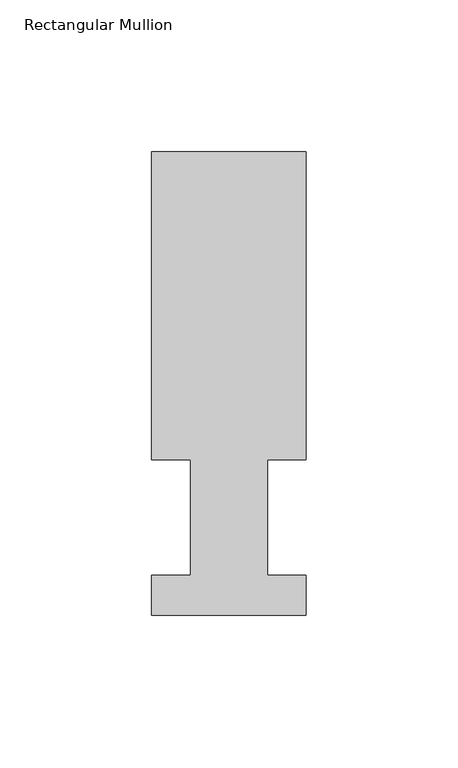
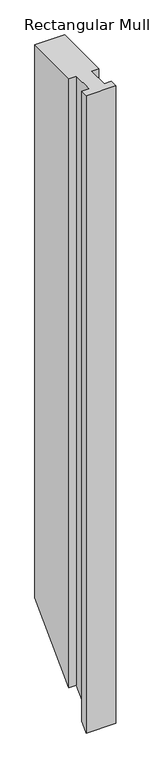
"""IFC4 building model written with IfcOpenShell, lengths in millimetres: member geometry, Rectangular Mullion."""

from ifc_helpers import new_model, si_unit, origin, place, context, project, spatial, faceted_brep, source, transform, mapped, element, save


def rectangular_mullion_8f399842(model_context):
    return source(origin(), model_context, "Body", "Brep", [
        faceted_brep([(0.0, 152.498812, 0.0), (0.0, 51.2960937, 0.0), (12.7, 51.2960937, 0.0), (12.7, 13.1960938, 0.0), (0.0, 13.1960938, 0.0), (0.0, 0.0134938, 0.0), (50.8, 0.0134938, 0.0), (50.8, 13.1960938, 0.0), (38.1, 13.1960938, 0.0), (38.1, 51.2960937, 0.0), (50.8, 51.2960937, 0.0), (50.8, 152.498812, 0.0), (0.0, 152.498812, -1003.2146818), (0.0, 51.2960937, -1104.4174), (12.7, 51.2960937, -1104.4174), (12.7, 13.1960938, -1142.5174), (0.0, 13.1960938, -1142.5174), (0.0, 0.0134938, -1155.7), (50.8, 0.0134938, -1155.7), (50.8, 13.1960938, -1142.5174), (38.1, 13.1960938, -1142.5174), (38.1, 51.2960937, -1104.4174), (50.8, 51.2960937, -1104.4174), (50.8, 152.498812, -1003.2146818)], [[[0, 1, 2, 3, 4, 5, 6, 7, 8, 9, 10, 11]], [[1, 0, 12, 13]], [[2, 1, 13, 14]], [[3, 2, 14, 15]], [[4, 3, 15, 16]], [[5, 4, 16, 17]], [[6, 5, 17, 18]], [[7, 6, 18, 19]], [[8, 7, 19, 20]], [[9, 8, 20, 21]], [[10, 9, 21, 22]], [[11, 10, 22, 23]], [[0, 11, 23, 12]], [[12, 23, 22, 21, 20, 19, 18, 17, 16, 15, 14, 13]]]),
    ])


if __name__ == "__main__":
    model = new_model("IFC4")
    model_context = context("Model", 3, world=origin())
    ifc_project = project(units=[si_unit("LENGTHUNIT", "METRE", prefix="MILLI")], contexts=[model_context])
    site = spatial("IfcSite", under=ifc_project)
    building = spatial("IfcBuilding", under=site)
    placement = place(None, origin())
    rectangular_mullion_shape = rectangular_mullion_8f399842(model_context)
    element("IfcMember", 1, ObjectType="Rectangular Mullion", at=placement, inside=building, context=model_context, shape_type="MappedRepresentation", body=[
        mapped(rectangular_mullion_shape, transform((0.0, 0.0, 0.0), x_axis=(1.0, 0.0, 0.0), y_axis=(0.0, 1.0, 0.0), z_axis=(0.0, 0.0, 1.0))),
    ])
    save(model, "model.ifc")
